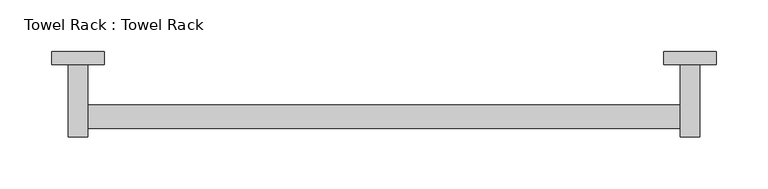
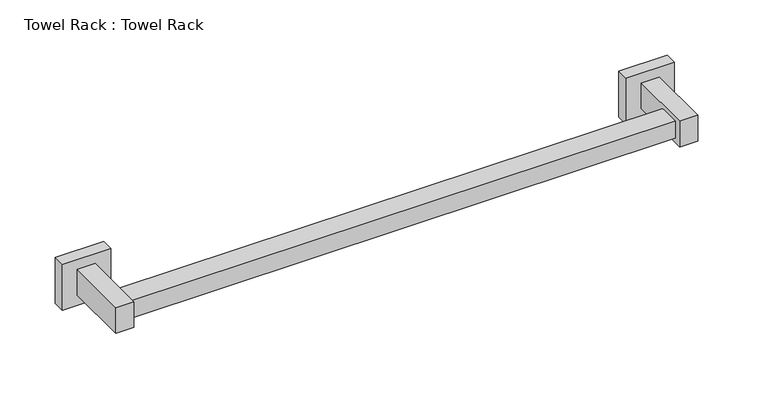
"""IFC4 building model written with IfcOpenShell, lengths in millimetres: proxy geometry, Towel Rack : Towel Rack."""

from ifc_helpers import new_model, si_unit, frame, origin, place, context, project, spatial, polyline, outline, extrude, source, transform, mapped, element, save


def towel_rack_towel_rack_baf82445(model_context):
    return source(origin(), model_context, "Body", "SweptSolid", [
        extrude(outline(polyline([(161.925, -113.5826627), (161.925, -136.3654015), (-409.575, -136.3654015), (-409.575, -113.5826627), (161.925, -113.5826627)])), frame((0.0, 0.0, 1184.275), z_axis=(0.0, 0.0, 1.0), x_axis=(1.0, 0.0, 0.0)), (0.0, 0.0, 1.0), 19.05),
        extrude(outline(polyline([(180.975, -74.6125), (180.975, -144.4625), (161.925, -144.4625), (161.925, -74.6125), (180.975, -74.6125)])), frame((0.0, 0.0, 1179.5365128), z_axis=(0.0, 0.0, 1.0), x_axis=(1.0, 0.0, 0.0)), (0.0, 0.0, 1.0), 28.5269744),
        extrude(outline(polyline([(146.05, -74.6125), (146.05, -61.9125), (196.85, -61.9125), (196.85, -74.6125), (146.05, -74.6125)])), frame((0.0, 0.0, 1168.4), z_axis=(0.0, 0.0, 1.0), x_axis=(1.0, 0.0, 0.0)), (0.0, 0.0, 1.0), 50.8),
        extrude(outline(polyline([(-409.575, -74.6125), (-409.575, -144.4625), (-428.625, -144.4625), (-428.625, -74.6125), (-409.575, -74.6125)])), frame((0.0, 0.0, 1179.5365128), z_axis=(0.0, 0.0, 1.0), x_axis=(1.0, 0.0, 0.0)), (0.0, 0.0, 1.0), 28.5269744),
        extrude(outline(polyline([(-393.7, -74.6125), (-444.5, -74.6125), (-444.5, -61.9125), (-393.7, -61.9125), (-393.7, -74.6125)])), frame((0.0, 0.0, 1168.4), z_axis=(0.0, 0.0, 1.0), x_axis=(1.0, 0.0, 0.0)), (0.0, 0.0, 1.0), 50.8),
    ])


if __name__ == "__main__":
    model = new_model("IFC4")
    model_context = context("Model", 3, world=origin())
    ifc_project = project(units=[si_unit("LENGTHUNIT", "METRE", prefix="MILLI")], contexts=[model_context])
    site = spatial("IfcSite", under=ifc_project)
    building = spatial("IfcBuilding", under=site)
    placement = place(None, origin())
    towel_rack_towel_rack_shape = towel_rack_towel_rack_baf82445(model_context)
    element("IfcBuildingElementProxy", 1, Name="Towel Rack : Towel Rack", ObjectType="Towel Rack : Towel Rack", at=placement, inside=building, context=model_context, shape_type="MappedRepresentation", body=[
        mapped(towel_rack_towel_rack_shape, transform((0.0, 0.0, 0.0), x_axis=(1.0, 0.0, 0.0), y_axis=(0.0, 1.0, 0.0), z_axis=(0.0, 0.0, 1.0))),
    ])
    save(model, "model.ifc")
